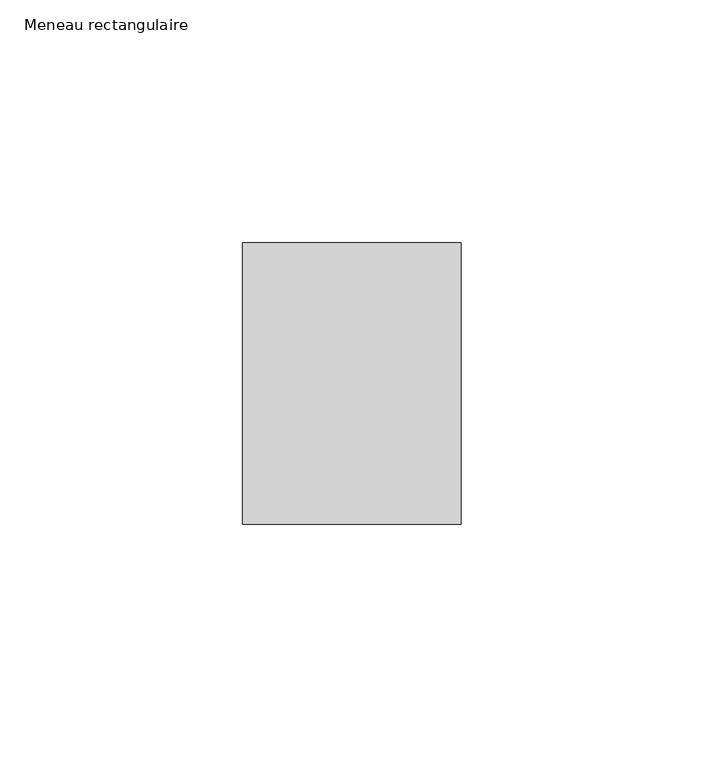
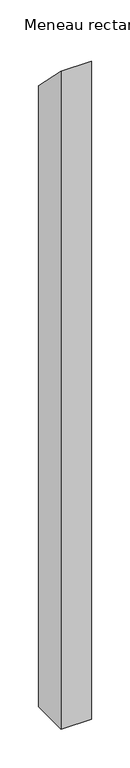
"""IFC4 building model written with IfcOpenShell, lengths in millimetres: member geometry, Meneau rectangulaire."""

from ifc_helpers import new_model, si_unit, frame, origin, place, context, project, spatial, polyline, outline, extrude, source, transform, mapped, element, save


def meneau_rectangulaire_341d5f94(model_context):
    return source(origin(), model_context, "Body", "SweptSolid", [
        extrude(outline(polyline([(-29.0, 29.0), (29.0, -29.0), (29.0, -1005.0040494), (-29.0, -1005.0040494), (-29.0, 29.0)])), frame((-45.0, 0.0, 0.0), z_axis=(1.0, 0.0, 0.0), x_axis=(0.0, 1.0, 0.0)), (0.0, 0.0, 1.0), 45.0),
    ])


if __name__ == "__main__":
    model = new_model("IFC4")
    model_context = context("Model", 3, world=origin())
    ifc_project = project(units=[si_unit("LENGTHUNIT", "METRE", prefix="MILLI")], contexts=[model_context])
    site = spatial("IfcSite", under=ifc_project)
    building = spatial("IfcBuilding", under=site)
    placement = place(None, origin())
    meneau_rectangulaire_shape = meneau_rectangulaire_341d5f94(model_context)
    element("IfcMember", 1, ObjectType="Meneau rectangulaire", at=placement, inside=building, context=model_context, shape_type="MappedRepresentation", body=[
        mapped(meneau_rectangulaire_shape, transform((0.0, 0.0, 0.0), x_axis=(1.0, 0.0, 0.0), y_axis=(0.0, 1.0, 0.0), z_axis=(0.0, 0.0, 1.0))),
    ])
    save(model, "model.ifc")
